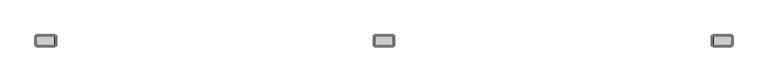
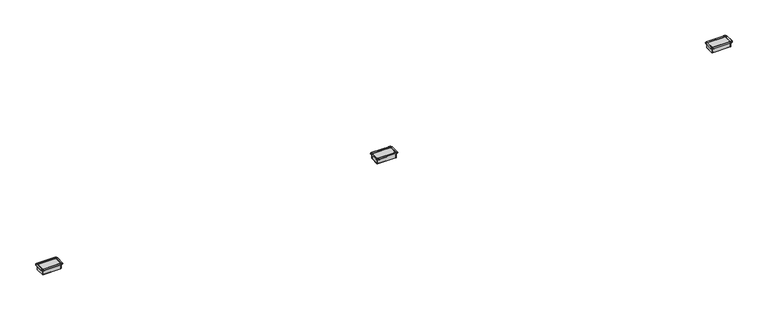
"""IFC4 building model written with IfcOpenShell, lengths in millimetres: furniture geometry."""

from ifc_helpers import new_model, si_unit, origin, place, context, project, spatial, triangles, source, transform, mapped, element, save


def furniture_a32016e5(model_context):
    return source(origin(), model_context, "Body", "Tessellation", [
        triangles([(-1319.0465218, -16.8646728, 0.9906), (-1318.2845043, -16.6604951, 0.9906), (-1388.3377865, -16.8646728, 0.9906), (-1389.0998039, -16.6604951, 0.9906), (-1317.7266895, -16.1026724, 0.9906), (-1389.6576187, -16.1026724, 0.9906), (-1317.5224869, -15.3406731, 0.9906), (-1389.861676, -15.3406731, 0.9906), (-1317.5224869, 15.3425274, 0.9906), (-1389.861676, 15.3425274, 0.9906), (-1317.7266895, 16.1045278, 0.9906), (-1389.6576187, 16.1045278, 0.9906), (-1318.2845043, 16.6623505, 0.9906), (-1389.0998039, 16.6623505, 0.9906), (-1319.0465218, 16.866527, 0.9906), (-1388.3377865, 16.866527, 0.9906), (-1314.9825256, -16.8646728, -18.2117994), (-1315.3227665, -18.1346727, -18.2117994), (-1316.4068573, -16.8646728, -18.2117994), (-1315.9985973, -15.3406731, -18.2117994), (-1316.2525063, -19.0643773, -18.2117994), (-1317.5224869, -17.9803183, -18.2117994), (-1317.5224869, -19.4046727, -18.2117994), (-1319.0465218, -18.3886725, -18.2117994), (-1319.0465218, 18.3905279, -18.2117994), (-1317.5224869, 19.406528, -18.2117994), (-1316.2525063, 19.0662327, -18.2117994), (-1317.5224869, 17.9821725, -18.2117994), (-1315.3227665, 18.136527, -18.2117994), (-1316.4068573, 16.866527, -18.2117994), (-1314.9825256, 16.866527, -18.2117994), (-1315.9985973, 15.3425274, -18.2117994), (-1388.3377865, 18.3905279, -18.2117994), (-1389.861676, 17.9821725, -18.2117994), (-1391.131802, 19.0662327, -18.2117994), (-1389.861676, 19.406528, -18.2117994), (-1390.9774509, 16.866527, -18.2117994), (-1392.0613964, 18.136527, -18.2117994), (-1391.3857109, 15.3425274, -18.2117994), (-1392.4017826, 16.866527, -18.2117994), (-1392.4017826, -16.8646728, -18.2117994), (-1391.3857109, -15.3406731, -18.2117994), (-1390.9774509, -16.8646728, -18.2117994), (-1392.0613964, -18.1346727, -18.2117994), (-1389.861676, -17.9803183, -18.2117994), (-1391.131802, -19.0643773, -18.2117994), (-1388.3377865, -18.3886725, -18.2117994), (-1389.861676, -19.4046727, -18.2117994), (-1317.5224869, 19.406528, 0.635), (-1389.861676, 19.406528, 0.635), (-1319.0465218, 16.866527, 0.635), (-1388.3377865, 16.866527, 0.635), (-1388.3377865, 18.3905279, 2.2859999), (-1319.0465218, 18.3905279, 2.2859999), (-1317.5224869, 24.4865277, 1.778), (-1389.861676, 24.4865277, 1.778), (-1317.5224869, 24.4865277, 0.635), (-1389.861676, 24.4865277, 0.635), (-1318.2845043, 16.6623505, 0.635), (-1317.7266895, 16.1045278, 0.635), (-1317.5224869, 15.3425274, 0.635), (-1316.2525063, 19.0662327, 0.635), (-1315.3227665, 18.136527, 0.635), (-1314.9825256, 16.866527, 0.635), (-1313.712545, 23.4656416, 0.635), (-1310.9234711, 20.6765268, 0.635), (-1309.9026031, 16.866527, 0.635), (-1317.5224869, 17.9821725, 2.2859999), (-1316.4068573, 16.866527, 2.2859999), (-1315.9985973, 15.3425274, 2.2859999), (-1313.712545, 23.4656416, 1.778), (-1310.9234711, 20.6765268, 1.778), (-1309.9026031, 16.866527, 1.778), (-1392.4017826, 16.866527, 0.635), (-1392.4017826, -16.8646728, 0.635), (-1389.861676, 15.3425274, 0.635), (-1389.861676, -15.3406731, 0.635), (-1391.3857109, 15.3425274, 2.2859999), (-1391.3857109, -15.3406731, 2.2859999), (-1397.4817051, 16.866527, 1.778), (-1397.4817051, -16.8646728, 1.778), (-1397.4817051, 16.866527, 0.635), (-1397.4817051, -16.8646728, 0.635), (-1389.6576187, 16.1045278, 0.635), (-1389.0998039, 16.6623505, 0.635), (-1392.0613964, 18.136527, 0.635), (-1391.131802, 19.0662327, 0.635), (-1396.4608372, 20.6765268, 0.635), (-1393.6717632, 23.4656416, 0.635), (-1390.9774509, 16.866527, 2.2859999), (-1389.861676, 17.9821725, 2.2859999), (-1396.4608372, 20.6765268, 1.778), (-1393.6717632, 23.4656416, 1.778), (-1389.861676, -19.4046727, 0.635), (-1317.5224869, -19.4046727, 0.635), (-1388.3377865, -16.8646728, 0.635), (-1319.0465218, -16.8646728, 0.635), (-1388.3377865, -18.3886725, 2.2859999), (-1319.0465218, -18.3886725, 2.2859999), (-1389.861676, -24.4846724, 1.778), (-1317.5224869, -24.4846724, 1.778), (-1389.861676, -24.4846724, 0.635), (-1317.5224869, -24.4846724, 0.635), (-1389.0998039, -16.6604951, 0.635), (-1389.6576187, -16.1026724, 0.635), (-1391.131802, -19.0643773, 0.635), (-1392.0613964, -18.1346727, 0.635), (-1393.6717632, -23.4637863, 0.635), (-1396.4608372, -20.6746737, 0.635), (-1389.861676, -17.9803183, 2.2859999), (-1390.9774509, -16.8646728, 2.2859999), (-1393.6717632, -23.4637863, 1.778), (-1396.4608372, -20.6746737, 1.778), (-1314.9825256, -16.8646728, 0.635), (-1317.5224869, -15.3406731, 0.635), (-1315.9985973, -15.3406731, 2.2859999), (-1309.9026031, -16.8646728, 1.778), (-1309.9026031, -16.8646728, 0.635), (-1317.7266895, -16.1026724, 0.635), (-1318.2845043, -16.6604951, 0.635), (-1315.3227665, -18.1346727, 0.635), (-1316.2525063, -19.0643773, 0.635), (-1310.9234711, -20.6746737, 0.635), (-1313.712545, -23.4637863, 0.635), (-1316.4068573, -16.8646728, 2.2859999), (-1317.5224869, -17.9803183, 2.2859999), (-1310.9234711, -20.6746737, 1.778), (-1313.712545, -23.4637863, 1.778), (-1389.861676, -19.4046727, -19.6849994), (-1317.5224869, -19.4046727, -19.6849994), (-1314.9825256, -16.8646728, -19.6849994), (-1314.9825256, 16.866527, -19.6849994), (-1317.5224869, 19.406528, -19.6849994), (-1389.861676, 19.406528, -19.6849994), (-1392.4017826, 16.866527, -19.6849994), (-1392.4017826, -16.8646728, -19.6849994), (-1315.787709, -18.5995245, -19.6849994), (-1315.787709, -18.5995245, 0.635), (-1315.787709, 18.6013798, 0.635), (-1315.787709, 18.6013798, -19.6849994), (-1391.5965992, -18.5995245, 0.635), (-1391.5965992, -18.5995245, -19.6849994), (-1391.5965992, 18.6013798, 0.635), (-1391.5965992, 18.6013798, -19.6849994), (34.6464567, -16.8646728, 0.9906), (35.408456, -16.6604951, 0.9906), (-35.4067437, -16.6604951, 0.9906), (-34.6447444, -16.8646728, 0.9906), (35.9662799, -16.1026724, 0.9906), (-35.9645653, -16.1026724, 0.9906), (36.1704553, -15.3406731, 0.9906), (-36.168743, -15.3406731, 0.9906), (36.1704553, 15.3425274, 0.9906), (-36.168743, 15.3425274, 0.9906), (35.9662799, 16.1045278, 0.9906), (-35.9645653, 16.1045278, 0.9906), (35.408456, 16.6623505, 0.9906), (-35.4067437, 16.6623505, 0.9906), (34.6464567, 16.866527, 0.9906), (-34.6447444, 16.866527, 0.9906), (38.7104551, -16.8646728, -18.2117994), (38.3701597, -18.1346727, -18.2117994), (37.2861007, -16.8646728, -18.2117994), (37.6944561, -15.3406731, -18.2117994), (37.4404563, -19.0643773, -18.2117994), (36.1704553, -17.9803183, -18.2117994), (36.1704553, -19.4046727, -18.2117994), (34.6464567, -18.3886725, -18.2117994), (34.6464567, 18.3905279, -18.2117994), (36.1704553, 19.406528, -18.2117994), (37.4404563, 19.0662327, -18.2117994), (36.1704553, 17.9821725, -18.2117994), (38.3701597, 18.136527, -18.2117994), (37.2861007, 16.866527, -18.2117994), (38.7104551, 16.866527, -18.2117994), (37.6944561, 15.3425274, -18.2117994), (-34.6447444, 18.3905279, -18.2117994), (-36.168743, 17.9821725, -18.2117994), (-37.438744, 19.0662327, -18.2117994), (-36.168743, 19.406528, -18.2117994), (-37.2843884, 16.866527, -18.2117994), (-38.3684475, 18.136527, -18.2117994), (-37.6927438, 15.3425274, -18.2117994), (-38.7087428, 16.866527, -18.2117994), (-38.7087428, -16.8646728, -18.2117994), (-37.6927438, -15.3406731, -18.2117994), (-37.2843884, -16.8646728, -18.2117994), (-38.3684475, -18.1346727, -18.2117994), (-36.168743, -17.9803183, -18.2117994), (-37.438744, -19.0643773, -18.2117994), (-34.6447444, -18.3886725, -18.2117994), (-36.168743, -19.4046727, -18.2117994), (36.1704553, 19.406528, 0.635), (-36.168743, 19.406528, 0.635), (34.6464567, 16.866527, 0.635), (-34.6447444, 16.866527, 0.635), (34.6464567, 18.3905279, 2.2859999), (-34.6447444, 18.3905279, 2.2859999), (36.1704553, 24.4865277, 1.778), (-36.168743, 24.4865277, 1.778), (36.1704553, 24.4865277, 0.635), (-36.168743, 24.4865277, 0.635), (35.408456, 16.6623505, 0.635), (35.9662799, 16.1045278, 0.635), (36.1704553, 15.3425274, 0.635), (37.4404563, 19.0662327, 0.635), (38.3701597, 18.136527, 0.635), (38.7104551, 16.866527, 0.635), (39.9804584, 23.4656416, 0.635), (42.7695687, 20.6765268, 0.635), (43.7904548, 16.866527, 0.635), (36.1704553, 17.9821725, 2.2859999), (37.2861007, 16.866527, 2.2859999), (37.6944561, 15.3425274, 2.2859999), (39.9804584, 23.4656416, 1.778), (42.7695687, 20.6765268, 1.778), (43.7904548, 16.866527, 1.778), (-38.7087428, 16.866527, 0.635), (-38.7087428, -16.8646728, 0.635), (-36.168743, 15.3425274, 0.635), (-36.168743, -15.3406731, 0.635), (-37.6927438, 15.3425274, 2.2859999), (-37.6927438, -15.3406731, 2.2859999), (-43.7887425, 16.866527, 1.778), (-43.7887425, -16.8646728, 1.778), (-43.7887425, 16.866527, 0.635), (-43.7887425, -16.8646728, 0.635), (-35.9645653, 16.1045278, 0.635), (-35.4067437, 16.6623505, 0.635), (-38.3684475, 18.136527, 0.635), (-37.438744, 19.0662327, 0.635), (-42.7678564, 20.6765268, 0.635), (-39.9787416, 23.4656416, 0.635), (-37.2843884, 16.866527, 2.2859999), (-36.168743, 17.9821725, 2.2859999), (-42.7678564, 20.6765268, 1.778), (-39.9787416, 23.4656416, 1.778), (-36.168743, -19.4046727, 0.635), (36.1704553, -19.4046727, 0.635), (-34.6447444, -16.8646728, 0.635), (34.6464567, -16.8646728, 0.635), (-34.6447444, -18.3886725, 2.2859999), (34.6464567, -18.3886725, 2.2859999), (-36.168743, -24.4846724, 1.778), (36.1704553, -24.4846724, 1.778), (-36.168743, -24.4846724, 0.635), (36.1704553, -24.4846724, 0.635), (-35.4067437, -16.6604951, 0.635), (-35.9645653, -16.1026724, 0.635), (-37.438744, -19.0643773, 0.635), (-38.3684475, -18.1346727, 0.635), (-39.9787416, -23.4637863, 0.635), (-42.7678564, -20.6746737, 0.635), (-36.168743, -17.9803183, 2.2859999), (-37.2843884, -16.8646728, 2.2859999), (-39.9787416, -23.4637863, 1.778), (-42.7678564, -20.6746737, 1.778), (38.7104551, -16.8646728, 0.635), (36.1704553, -15.3406731, 0.635), (37.6944561, -15.3406731, 2.2859999), (43.7904548, -16.8646728, 1.778), (43.7904548, -16.8646728, 0.635), (35.9662799, -16.1026724, 0.635), (35.408456, -16.6604951, 0.635), (38.3701597, -18.1346727, 0.635), (37.4404563, -19.0643773, 0.635), (42.7695687, -20.6746737, 0.635), (39.9804584, -23.4637863, 0.635), (37.2861007, -16.8646728, 2.2859999), (36.1704553, -17.9803183, 2.2859999), (42.7695687, -20.6746737, 1.778), (39.9804584, -23.4637863, 1.778), (-36.168743, -19.4046727, -19.6849994), (36.1704553, -19.4046727, -19.6849994), (38.7104551, -16.8646728, -19.6849994), (38.7104551, 16.866527, -19.6849994), (36.1704553, 19.406528, -19.6849994), (-36.168743, 19.406528, -19.6849994), (-38.7087428, 16.866527, -19.6849994), (-38.7087428, -16.8646728, -19.6849994), (37.905308, -18.5995245, -19.6849994), (37.905308, -18.5995245, 0.635), (37.905308, 18.6013798, 0.635), (37.905308, 18.6013798, -19.6849994), (-37.9035957, -18.5995245, 0.635), (-37.9035957, -18.5995245, -19.6849994), (-37.9035957, 18.6013798, 0.635), (-37.9035957, 18.6013798, -19.6849994), (1388.3393852, -16.8646728, 0.9906), (1389.1014027, -16.6604951, 0.9906), (1318.2862484, -16.6604951, 0.9906), (1319.0482658, -16.8646728, 0.9906), (1389.6592175, -16.1026724, 0.9906), (1317.7284336, -16.1026724, 0.9906), (1389.8634201, -15.3406731, 0.9906), (1317.524231, -15.3406731, 0.9906), (1389.8634201, 15.3425274, 0.9906), (1317.524231, 15.3425274, 0.9906), (1389.6592175, 16.1045278, 0.9906), (1317.7284336, 16.1045278, 0.9906), (1389.1014027, 16.6623505, 0.9906), (1318.2862484, 16.6623505, 0.9906), (1388.3393852, 16.866527, 0.9906), (1319.0482658, 16.866527, 0.9906), (1392.4035267, -16.8646728, -18.2117994), (1392.0631405, -18.1346727, -18.2117994), (1390.9790497, -16.8646728, -18.2117994), (1391.387455, -15.3406731, -18.2117994), (1391.1334007, -19.0643773, -18.2117994), (1389.8634201, -17.9803183, -18.2117994), (1389.8634201, -19.4046727, -18.2117994), (1388.3393852, -18.3886725, -18.2117994), (1388.3393852, 18.3905279, -18.2117994), (1389.8634201, 19.406528, -18.2117994), (1391.1334007, 19.0662327, -18.2117994), (1389.8634201, 17.9821725, -18.2117994), (1392.0631405, 18.136527, -18.2117994), (1390.9790497, 16.866527, -18.2117994), (1392.4035267, 16.866527, -18.2117994), (1391.387455, 15.3425274, -18.2117994), (1319.0482658, 18.3905279, -18.2117994), (1317.524231, 17.9821725, -18.2117994), (1316.2542503, 19.0662327, -18.2117994), (1317.524231, 19.406528, -18.2117994), (1316.4086014, 16.866527, -18.2117994), (1315.3245106, 18.136527, -18.2117994), (1316.0001961, 15.3425274, -18.2117994), (1314.9842697, 16.866527, -18.2117994), (1314.9842697, -16.8646728, -18.2117994), (1316.0001961, -15.3406731, -18.2117994), (1316.4086014, -16.8646728, -18.2117994), (1315.3245106, -18.1346727, -18.2117994), (1317.524231, -17.9803183, -18.2117994), (1316.2542503, -19.0643773, -18.2117994), (1319.0482658, -18.3886725, -18.2117994), (1317.524231, -19.4046727, -18.2117994), (1389.8634201, 19.406528, 0.635), (1317.524231, 19.406528, 0.635), (1388.3393852, 16.866527, 0.635), (1319.0482658, 16.866527, 0.635), (1388.3393852, 18.3905279, 2.2859999), (1319.0482658, 18.3905279, 2.2859999), (1389.8634201, 24.4865277, 1.778), (1317.524231, 24.4865277, 1.778), (1389.8634201, 24.4865277, 0.635), (1317.524231, 24.4865277, 0.635), (1389.1014027, 16.6623505, 0.635), (1389.6592175, 16.1045278, 0.635), (1389.8634201, 15.3425274, 0.635), (1391.1334007, 19.0662327, 0.635), (1392.0631405, 18.136527, 0.635), (1392.4035267, 16.866527, 0.635), (1393.6735073, 23.4656416, 0.635), (1396.4625813, 20.6765268, 0.635), (1397.4834492, 16.866527, 0.635), (1389.8634201, 17.9821725, 2.2859999), (1390.9790497, 16.866527, 2.2859999), (1391.387455, 15.3425274, 2.2859999), (1393.6735073, 23.4656416, 1.778), (1396.4625813, 20.6765268, 1.778), (1397.4834492, 16.866527, 1.778), (1314.9842697, 16.866527, 0.635), (1314.9842697, -16.8646728, 0.635), (1317.524231, 15.3425274, 0.635), (1317.524231, -15.3406731, 0.635), (1316.0001961, 15.3425274, 2.2859999), (1316.0001961, -15.3406731, 2.2859999), (1309.9042019, 16.866527, 1.778), (1309.9042019, -16.8646728, 1.778), (1309.9042019, 16.866527, 0.635), (1309.9042019, -16.8646728, 0.635), (1317.7284336, 16.1045278, 0.635), (1318.2862484, 16.6623505, 0.635), (1315.3245106, 18.136527, 0.635), (1316.2542503, 19.0662327, 0.635), (1310.9252151, 20.6765268, 0.635), (1313.7142891, 23.4656416, 0.635), (1316.4086014, 16.866527, 2.2859999), (1317.524231, 17.9821725, 2.2859999), (1310.9252151, 20.6765268, 1.778), (1313.7142891, 23.4656416, 1.778), (1317.524231, -19.4046727, 0.635), (1389.8634201, -19.4046727, 0.635), (1319.0482658, -16.8646728, 0.635), (1388.3393852, -16.8646728, 0.635), (1388.3393852, -18.3886725, 2.2859999), (1319.0482658, -18.3886725, 2.2859999), (1317.524231, -24.4846724, 1.778), (1389.8634201, -24.4846724, 1.778), (1317.524231, -24.4846724, 0.635), (1389.8634201, -24.4846724, 0.635), (1318.2862484, -16.6604951, 0.635), (1317.7284336, -16.1026724, 0.635), (1316.2542503, -19.0643773, 0.635), (1315.3245106, -18.1346727, 0.635), (1313.7142891, -23.4637863, 0.635), (1310.9252151, -20.6746737, 0.635), (1317.524231, -17.9803183, 2.2859999), (1316.4086014, -16.8646728, 2.2859999), (1313.7142891, -23.4637863, 1.778), (1310.9252151, -20.6746737, 1.778), (1392.4035267, -16.8646728, 0.635), (1389.8634201, -15.3406731, 0.635), (1391.387455, -15.3406731, 2.2859999), (1397.4834492, -16.8646728, 1.778), (1397.4834492, -16.8646728, 0.635), (1389.6592175, -16.1026724, 0.635), (1389.1014027, -16.6604951, 0.635), (1392.0631405, -18.1346727, 0.635), (1391.1334007, -19.0643773, 0.635), (1396.4625813, -20.6746737, 0.635), (1393.6735073, -23.4637863, 0.635), (1390.9790497, -16.8646728, 2.2859999), (1389.8634201, -17.9803183, 2.2859999), (1396.4625813, -20.6746737, 1.778), (1393.6735073, -23.4637863, 1.778), (1317.524231, -19.4046727, -19.6849994), (1389.8634201, -19.4046727, -19.6849994), (1392.4035267, -16.8646728, -19.6849994), (1392.4035267, 16.866527, -19.6849994), (1389.8634201, 19.406528, -19.6849994), (1317.524231, 19.406528, -19.6849994), (1314.9842697, 16.866527, -19.6849994), (1314.9842697, -16.8646728, -19.6849994), (1391.5983433, -18.5995245, -19.6849994), (1391.5983433, -18.5995245, 0.635), (1391.5983433, 18.6013798, 0.635), (1391.5983433, 18.6013798, -19.6849994), (1315.7894531, -18.5995245, 0.635), (1315.7894531, -18.5995245, -19.6849994), (1315.7894531, 18.6013798, 0.635), (1315.7894531, 18.6013798, -19.6849994)], [[1, 2, 3], [2, 4, 3], [5, 6, 4], [5, 4, 2], [5, 7, 6], [7, 8, 6], [9, 10, 8], [9, 8, 7], [9, 11, 12], [9, 12, 10], [13, 14, 11], [14, 12, 11], [13, 15, 16], [13, 16, 14], [17, 18, 19], [17, 19, 20], [18, 21, 22], [18, 22, 19], [21, 23, 24], [21, 24, 22], [25, 26, 27], [25, 27, 28], [28, 27, 29], [28, 29, 30], [30, 29, 31], [30, 31, 32], [33, 34, 35], [33, 35, 36], [34, 37, 38], [34, 38, 35], [37, 39, 40], [37, 40, 38], [41, 42, 43], [41, 43, 44], [44, 43, 45], [44, 45, 46], [46, 45, 47], [46, 47, 48], [49, 26, 36], [49, 36, 50], [36, 26, 25], [36, 25, 33], [25, 51, 52], [25, 52, 33], [52, 51, 53], [51, 54, 53], [54, 55, 56], [54, 56, 53], [56, 55, 57], [56, 57, 58], [57, 49, 50], [57, 50, 58], [51, 25, 28], [51, 28, 59], [59, 28, 30], [59, 30, 60], [60, 30, 32], [60, 32, 61], [49, 62, 27], [49, 27, 26], [62, 63, 29], [62, 29, 27], [63, 64, 31], [63, 31, 29], [49, 57, 65], [49, 65, 62], [62, 65, 66], [62, 66, 63], [63, 66, 67], [63, 67, 64], [54, 51, 68], [51, 59, 68], [68, 59, 69], [59, 60, 69], [69, 60, 61], [69, 61, 70], [55, 54, 71], [54, 68, 71], [71, 68, 72], [68, 69, 72], [72, 69, 73], [69, 70, 73], [57, 55, 71], [57, 71, 65], [65, 71, 72], [65, 72, 66], [66, 72, 73], [66, 73, 67], [74, 40, 41], [74, 41, 75], [41, 40, 39], [41, 39, 42], [39, 76, 77], [39, 77, 42], [77, 76, 78], [77, 78, 79], [78, 80, 81], [78, 81, 79], [81, 80, 82], [81, 82, 83], [82, 74, 75], [82, 75, 83], [76, 39, 84], [39, 37, 84], [84, 37, 85], [37, 34, 85], [85, 34, 52], [34, 33, 52], [74, 86, 38], [74, 38, 40], [86, 87, 35], [86, 35, 38], [87, 50, 36], [87, 36, 35], [74, 82, 88], [74, 88, 86], [86, 88, 87], [88, 89, 87], [87, 89, 50], [89, 58, 50], [78, 76, 84], [78, 84, 90], [90, 84, 85], [90, 85, 91], [91, 85, 52], [91, 52, 53], [80, 78, 90], [80, 90, 92], [92, 90, 91], [92, 91, 93], [93, 91, 53], [93, 53, 56], [82, 80, 92], [82, 92, 88], [88, 92, 93], [88, 93, 89], [89, 93, 56], [89, 56, 58], [94, 48, 23], [94, 23, 95], [23, 48, 24], [48, 47, 24], [47, 96, 97], [47, 97, 24], [97, 96, 98], [97, 98, 99], [98, 100, 99], [100, 101, 99], [101, 100, 102], [101, 102, 103], [102, 94, 95], [102, 95, 103], [96, 47, 45], [96, 45, 104], [104, 45, 43], [104, 43, 105], [105, 43, 42], [105, 42, 77], [94, 106, 46], [94, 46, 48], [106, 107, 44], [106, 44, 46], [107, 75, 41], [107, 41, 44], [94, 102, 108], [94, 108, 106], [106, 108, 109], [106, 109, 107], [107, 109, 83], [107, 83, 75], [98, 96, 104], [98, 104, 110], [110, 104, 105], [110, 105, 111], [111, 105, 79], [105, 77, 79], [100, 98, 110], [100, 110, 112], [112, 110, 111], [112, 111, 113], [113, 111, 81], [111, 79, 81], [102, 100, 112], [102, 112, 108], [108, 112, 113], [108, 113, 109], [109, 113, 81], [109, 81, 83], [114, 17, 31], [114, 31, 64], [31, 17, 20], [31, 20, 32], [20, 115, 61], [20, 61, 32], [61, 115, 116], [61, 116, 70], [116, 117, 70], [117, 73, 70], [73, 117, 118], [73, 118, 67], [118, 114, 64], [118, 64, 67], [115, 20, 19], [115, 19, 119], [119, 19, 22], [119, 22, 120], [120, 22, 24], [120, 24, 97], [114, 121, 18], [114, 18, 17], [121, 122, 21], [121, 21, 18], [122, 95, 23], [122, 23, 21], [114, 118, 121], [118, 123, 121], [121, 123, 124], [121, 124, 122], [122, 124, 103], [122, 103, 95], [116, 115, 119], [116, 119, 125], [125, 119, 120], [125, 120, 126], [126, 120, 97], [126, 97, 99], [117, 116, 125], [117, 125, 127], [127, 125, 126], [127, 126, 128], [128, 126, 99], [128, 99, 101], [118, 117, 127], [118, 127, 123], [123, 127, 128], [123, 128, 124], [124, 128, 101], [124, 101, 103], [94, 129, 130], [94, 130, 95], [114, 131, 132], [114, 132, 64], [49, 133, 134], [49, 134, 50], [74, 135, 136], [74, 136, 75], [114, 131, 137], [114, 137, 138], [138, 137, 130], [138, 130, 95], [132, 64, 139], [132, 139, 140], [140, 139, 49], [140, 49, 133], [129, 94, 141], [129, 141, 142], [142, 141, 75], [142, 75, 136], [135, 74, 143], [135, 143, 144], [144, 143, 50], [144, 50, 134], [145, 146, 147], [145, 147, 148], [149, 150, 147], [149, 147, 146], [149, 151, 152], [149, 152, 150], [153, 154, 152], [153, 152, 151], [153, 155, 156], [153, 156, 154], [157, 158, 156], [157, 156, 155], [157, 159, 160], [157, 160, 158], [161, 162, 163], [161, 163, 164], [162, 165, 166], [162, 166, 163], [165, 167, 168], [165, 168, 166], [169, 170, 171], [169, 171, 172], [172, 171, 173], [172, 173, 174], [174, 173, 175], [174, 175, 176], [177, 178, 179], [177, 179, 180], [178, 181, 182], [178, 182, 179], [181, 183, 184], [181, 184, 182], [185, 186, 187], [185, 187, 188], [188, 187, 189], [188, 189, 190], [190, 189, 191], [190, 191, 192], [193, 170, 180], [193, 180, 194], [180, 170, 169], [180, 169, 177], [169, 195, 196], [169, 196, 177], [196, 195, 197], [196, 197, 198], [197, 199, 200], [197, 200, 198], [200, 199, 201], [200, 201, 202], [201, 193, 194], [201, 194, 202], [195, 169, 172], [195, 172, 203], [203, 172, 174], [203, 174, 204], [204, 174, 176], [204, 176, 205], [193, 206, 171], [193, 171, 170], [206, 207, 173], [206, 173, 171], [207, 208, 175], [207, 175, 173], [193, 201, 209], [193, 209, 206], [206, 209, 210], [206, 210, 207], [207, 210, 211], [207, 211, 208], [197, 195, 203], [197, 203, 212], [212, 203, 213], [203, 204, 213], [213, 204, 205], [213, 205, 214], [199, 197, 212], [199, 212, 215], [215, 212, 213], [215, 213, 216], [216, 213, 214], [216, 214, 217], [201, 199, 215], [201, 215, 209], [209, 215, 216], [209, 216, 210], [210, 216, 217], [210, 217, 211], [218, 184, 185], [218, 185, 219], [185, 184, 183], [185, 183, 186], [183, 220, 221], [183, 221, 186], [221, 220, 222], [221, 222, 223], [222, 224, 225], [222, 225, 223], [225, 224, 226], [225, 226, 227], [226, 218, 219], [226, 219, 227], [220, 183, 181], [220, 181, 228], [228, 181, 178], [228, 178, 229], [229, 178, 177], [229, 177, 196], [218, 230, 182], [218, 182, 184], [230, 231, 179], [230, 179, 182], [231, 194, 180], [231, 180, 179], [218, 226, 232], [218, 232, 230], [230, 232, 233], [230, 233, 231], [231, 233, 194], [233, 202, 194], [222, 220, 228], [222, 228, 234], [234, 228, 229], [234, 229, 235], [235, 229, 196], [235, 196, 198], [224, 222, 234], [224, 234, 236], [236, 234, 235], [236, 235, 237], [237, 235, 198], [237, 198, 200], [226, 224, 236], [226, 236, 232], [232, 236, 237], [232, 237, 233], [233, 237, 200], [233, 200, 202], [238, 192, 167], [238, 167, 239], [167, 192, 191], [167, 191, 168], [191, 240, 241], [191, 241, 168], [241, 240, 242], [241, 242, 243], [242, 244, 245], [242, 245, 243], [245, 244, 246], [245, 246, 247], [246, 238, 239], [246, 239, 247], [240, 191, 189], [240, 189, 248], [248, 189, 187], [248, 187, 249], [249, 187, 186], [249, 186, 221], [238, 250, 190], [238, 190, 192], [250, 251, 188], [250, 188, 190], [251, 219, 185], [251, 185, 188], [238, 246, 252], [238, 252, 250], [250, 252, 253], [250, 253, 251], [251, 253, 227], [251, 227, 219], [242, 240, 248], [242, 248, 254], [254, 248, 255], [248, 249, 255], [255, 249, 221], [255, 221, 223], [244, 242, 254], [244, 254, 256], [256, 254, 255], [256, 255, 257], [257, 255, 223], [257, 223, 225], [246, 244, 256], [246, 256, 252], [252, 256, 257], [252, 257, 253], [253, 257, 225], [253, 225, 227], [258, 161, 175], [258, 175, 208], [175, 161, 164], [175, 164, 176], [164, 259, 205], [164, 205, 176], [205, 259, 260], [205, 260, 214], [260, 261, 217], [260, 217, 214], [217, 261, 262], [217, 262, 211], [262, 258, 208], [262, 208, 211], [259, 164, 163], [259, 163, 263], [263, 163, 166], [263, 166, 264], [264, 166, 168], [264, 168, 241], [258, 265, 162], [258, 162, 161], [265, 266, 165], [265, 165, 162], [266, 239, 167], [266, 167, 165], [258, 262, 267], [258, 267, 265], [265, 267, 268], [265, 268, 266], [266, 268, 239], [268, 247, 239], [260, 259, 263], [260, 263, 269], [269, 263, 264], [269, 264, 270], [270, 264, 241], [270, 241, 243], [261, 260, 269], [261, 269, 271], [271, 269, 270], [271, 270, 272], [272, 270, 243], [272, 243, 245], [262, 261, 271], [262, 271, 267], [267, 271, 272], [267, 272, 268], [268, 272, 245], [268, 245, 247], [238, 273, 274], [238, 274, 239], [258, 275, 276], [258, 276, 208], [193, 277, 278], [193, 278, 194], [218, 279, 280], [218, 280, 219], [258, 275, 281], [258, 281, 282], [282, 281, 274], [282, 274, 239], [276, 208, 283], [276, 283, 284], [284, 283, 193], [284, 193, 277], [273, 238, 285], [273, 285, 286], [286, 285, 219], [286, 219, 280], [279, 218, 287], [279, 287, 288], [288, 287, 194], [288, 194, 278], [289, 290, 291], [289, 291, 292], [293, 294, 291], [293, 291, 290], [293, 295, 296], [293, 296, 294], [297, 298, 296], [297, 296, 295], [297, 299, 298], [299, 300, 298], [301, 302, 300], [301, 300, 299], [301, 303, 304], [301, 304, 302], [305, 306, 307], [305, 307, 308], [306, 309, 310], [306, 310, 307], [309, 311, 312], [309, 312, 310], [313, 314, 315], [313, 315, 316], [316, 315, 317], [316, 317, 318], [318, 317, 319], [318, 319, 320], [321, 322, 323], [321, 323, 324], [322, 325, 326], [322, 326, 323], [325, 327, 328], [325, 328, 326], [329, 330, 331], [329, 331, 332], [332, 331, 333], [332, 333, 334], [334, 333, 335], [334, 335, 336], [337, 314, 324], [337, 324, 338], [324, 314, 321], [314, 313, 321], [313, 339, 340], [313, 340, 321], [340, 339, 341], [340, 341, 342], [341, 343, 342], [343, 344, 342], [344, 343, 345], [344, 345, 346], [345, 337, 338], [345, 338, 346], [339, 313, 316], [339, 316, 347], [347, 316, 318], [347, 318, 348], [348, 318, 320], [348, 320, 349], [337, 350, 315], [337, 315, 314], [350, 351, 317], [350, 317, 315], [351, 352, 319], [351, 319, 317], [337, 345, 353], [337, 353, 350], [350, 353, 354], [350, 354, 351], [351, 354, 355], [351, 355, 352], [341, 339, 347], [341, 347, 356], [356, 347, 348], [356, 348, 357], [357, 348, 358], [348, 349, 358], [343, 341, 356], [343, 356, 359], [359, 356, 357], [359, 357, 360], [360, 357, 361], [357, 358, 361], [345, 343, 359], [345, 359, 353], [353, 359, 360], [353, 360, 354], [354, 360, 361], [354, 361, 355], [362, 328, 329], [362, 329, 363], [329, 328, 327], [329, 327, 330], [327, 364, 365], [327, 365, 330], [365, 364, 366], [365, 366, 367], [366, 368, 367], [368, 369, 367], [369, 368, 370], [369, 370, 371], [370, 362, 363], [370, 363, 371], [364, 327, 325], [364, 325, 372], [372, 325, 322], [372, 322, 373], [373, 322, 321], [373, 321, 340], [362, 374, 326], [362, 326, 328], [374, 375, 323], [374, 323, 326], [375, 338, 324], [375, 324, 323], [362, 370, 374], [370, 376, 374], [374, 376, 377], [374, 377, 375], [375, 377, 346], [375, 346, 338], [366, 364, 372], [366, 372, 378], [378, 372, 373], [378, 373, 379], [379, 373, 340], [379, 340, 342], [368, 366, 378], [368, 378, 380], [380, 378, 379], [380, 379, 381], [381, 379, 342], [381, 342, 344], [370, 368, 380], [370, 380, 376], [376, 380, 381], [376, 381, 377], [377, 381, 344], [377, 344, 346], [382, 336, 311], [382, 311, 383], [311, 336, 335], [311, 335, 312], [335, 384, 385], [335, 385, 312], [385, 384, 386], [384, 387, 386], [387, 388, 389], [387, 389, 386], [389, 388, 390], [389, 390, 391], [390, 382, 383], [390, 383, 391], [384, 335, 333], [384, 333, 392], [392, 333, 331], [392, 331, 393], [393, 331, 330], [393, 330, 365], [382, 394, 334], [382, 334, 336], [394, 395, 332], [394, 332, 334], [395, 363, 329], [395, 329, 332], [382, 390, 396], [382, 396, 394], [394, 396, 397], [394, 397, 395], [395, 397, 371], [395, 371, 363], [387, 384, 398], [384, 392, 398], [398, 392, 399], [392, 393, 399], [399, 393, 365], [399, 365, 367], [388, 387, 400], [387, 398, 400], [400, 398, 401], [398, 399, 401], [401, 399, 369], [399, 367, 369], [390, 388, 400], [390, 400, 396], [396, 400, 401], [396, 401, 397], [397, 401, 369], [397, 369, 371], [402, 305, 319], [402, 319, 352], [319, 305, 308], [319, 308, 320], [308, 403, 349], [308, 349, 320], [349, 403, 404], [349, 404, 358], [404, 405, 361], [404, 361, 358], [361, 405, 406], [361, 406, 355], [406, 402, 352], [406, 352, 355], [403, 308, 407], [308, 307, 407], [407, 307, 408], [307, 310, 408], [408, 310, 385], [310, 312, 385], [402, 409, 306], [402, 306, 305], [409, 410, 309], [409, 309, 306], [410, 383, 311], [410, 311, 309], [402, 406, 411], [402, 411, 409], [409, 411, 410], [411, 412, 410], [410, 412, 383], [412, 391, 383], [404, 403, 407], [404, 407, 413], [413, 407, 408], [413, 408, 414], [414, 408, 385], [414, 385, 386], [405, 404, 413], [405, 413, 415], [415, 413, 414], [415, 414, 416], [416, 414, 386], [416, 386, 389], [406, 405, 415], [406, 415, 411], [411, 415, 416], [411, 416, 412], [412, 416, 389], [412, 389, 391], [382, 417, 418], [382, 418, 383], [402, 419, 420], [402, 420, 352], [337, 421, 422], [337, 422, 338], [362, 423, 424], [362, 424, 363], [402, 419, 425], [402, 425, 426], [426, 425, 418], [426, 418, 383], [420, 352, 427], [420, 427, 428], [428, 427, 337], [428, 337, 421], [417, 382, 429], [417, 429, 430], [430, 429, 363], [430, 363, 424], [423, 362, 431], [423, 431, 432], [432, 431, 338], [432, 338, 422]], closed=False),
    ])


if __name__ == "__main__":
    model = new_model("IFC4")
    model_context = context("Model", 3, world=origin())
    ifc_project = project(units=[si_unit("LENGTHUNIT", "METRE", prefix="MILLI")], contexts=[model_context])
    site = spatial("IfcSite", under=ifc_project)
    building = spatial("IfcBuilding", under=site)
    placement = place(None, origin())
    furniture_shape = furniture_a32016e5(model_context)
    element("IfcFurniture", 1, at=placement, inside=building, context=model_context, shape_type="MappedRepresentation", body=[
        mapped(furniture_shape, transform((0.0, 0.0, 0.0), x_axis=(1.0, 0.0, 0.0), y_axis=(0.0, 1.0, 0.0), z_axis=(0.0, 0.0, 1.0))),
    ])
    save(model, "model.ifc")
